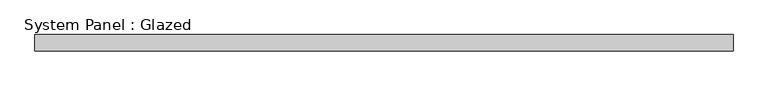
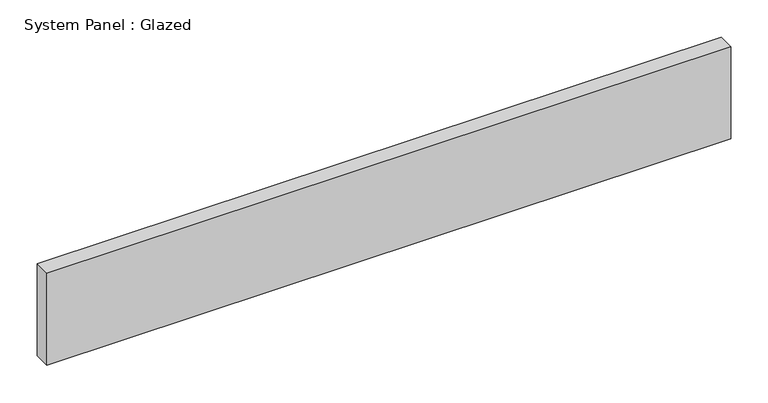
"""IFC4 building model written with IfcOpenShell, lengths in millimetres: plate geometry, System Panel : Glazed."""

from ifc_helpers import new_model, si_unit, origin, origin_with_axes, place, context, project, spatial, polyline, outline, extrude, source, transform, mapped, element, save


def system_panel_glazed_1e31c993(model_context):
    return source(origin(), model_context, "Body", "SweptSolid", [
        extrude(outline(polyline([(527.0, 24.5), (-527.0, 24.5), (-527.0, 49.5), (527.0, 49.5), (527.0, 24.5)])), origin_with_axes(), (0.0, 0.0, 1.0), 150.0),
    ])


if __name__ == "__main__":
    model = new_model("IFC4")
    model_context = context("Model", 3, world=origin())
    ifc_project = project(units=[si_unit("LENGTHUNIT", "METRE", prefix="MILLI")], contexts=[model_context])
    site = spatial("IfcSite", under=ifc_project)
    building = spatial("IfcBuilding", under=site)
    placement = place(None, origin())
    system_panel_glazed_shape = system_panel_glazed_1e31c993(model_context)
    element("IfcPlate", 1, ObjectType="System Panel : Glazed", at=placement, inside=building, context=model_context, shape_type="MappedRepresentation", body=[
        mapped(system_panel_glazed_shape, transform((0.0, 0.0, 0.0), x_axis=(1.0, 0.0, 0.0), y_axis=(0.0, 1.0, 0.0), z_axis=(0.0, 0.0, 1.0))),
    ])
    save(model, "model.ifc")
